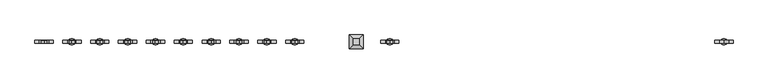
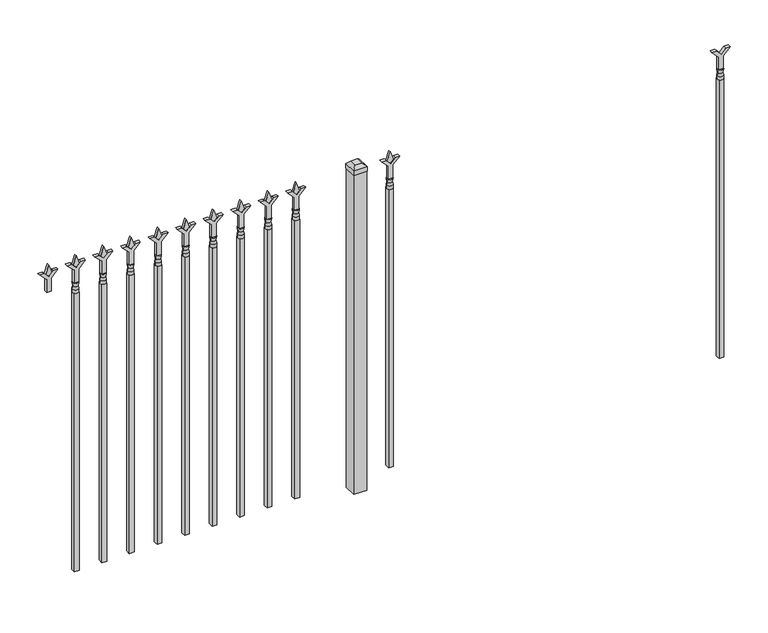
"""IFC4 building model written with IfcOpenShell, lengths in millimetres: railing geometry."""

from ifc_helpers import new_model, si_unit, frame, origin, origin_with_axes, place, context, project, spatial, polyline, circle_curve, outline, extrude, faceted_brep, source, transform, mapped, element, save
from ifc_brep_helpers import plane_surface, cylinder_surface, revolved_surface, advanced_brep


def railing_d602b9d8(model_context):
    return source(origin(), model_context, "Body", "SolidModel", [
        extrude(outline(polyline([(1260.475, -70510.749337), (1314.7457378, -70510.749337), (1341.9355122, -70483.5595625), (1341.9355122, -70501.5200747), (1323.975, -70519.480587), (1341.9355122, -70537.4410992), (1341.9355122, -70555.4016114), (1314.7457378, -70528.211837), (1260.475, -70528.211837), (1260.475, -70510.749337)])), frame((0.0, -9176.0070174, 0.0), z_axis=(0.0, 1.0, 0.0), x_axis=(0.0, 0.0, 1.0)), (0.0, 0.0, 1.0), 12.7),
        advanced_brep(
        [(-70507.574337, -9169.6570174, 1231.9), (-70531.386837, -9169.6570174, 1231.9), (-70531.386837, -9169.6570174, 1219.2), (-70507.574337, -9169.6570174, 1219.2), (-70509.7796688, -9169.6570174, 1244.4070585), (-70529.1815051, -9169.6570174, 1244.4070585), (-70507.574337, -9169.6570174, 1260.475), (-70531.386837, -9169.6570174, 1260.475), (-70519.480587, -9169.6570174, 1260.475), (-70519.480587, -9169.6570174, 1219.2)],
        [
            (0, 1, circle_curve(frame((-70519.480587, -9169.6570174, 1231.9), z_axis=(0.0, 0.0, -1.0), x_axis=(-1.0, 0.0, 0.0)), 11.90625)),
            (1, 2),
            (2, 3, circle_curve(frame((-70519.480587, -9169.6570174, 1219.2), z_axis=(0.0, 0.0, 1.0), x_axis=(-1.0, 0.0, 0.0)), 11.90625)),
            (3, 0),
            (1, 0, circle_curve(frame((-70519.480587, -9169.6570174, 1231.9), z_axis=(0.0, 0.0, -1.0), x_axis=(-1.0, 0.0, 0.0)), 11.90625)),
            (3, 2, circle_curve(frame((-70519.480587, -9169.6570174, 1219.2), z_axis=(0.0, 0.0, 1.0), x_axis=(-1.0, 0.0, 0.0)), 11.90625)),
            (4, 5, circle_curve(frame((-70519.480587, -9169.6570174, 1244.4070585), z_axis=(0.0, 0.0, -1.0), x_axis=(-1.0, 0.0, 0.0)), 9.7009181)),
            (5, 1),
            (0, 4),
            (5, 4, circle_curve(frame((-70519.480587, -9169.6570174, 1244.4070585), z_axis=(0.0, 0.0, -1.0), x_axis=(-1.0, 0.0, 0.0)), 9.7009181)),
            (6, 7, circle_curve(frame((-70519.480587, -9169.6570174, 1260.475), z_axis=(0.0, 0.0, -1.0), x_axis=(-1.0, 0.0, 0.0)), 11.90625)),
            (7, 5),
            (4, 6),
            (7, 6, circle_curve(frame((-70519.480587, -9169.6570174, 1260.475), z_axis=(0.0, 0.0, -1.0), x_axis=(-1.0, 0.0, 0.0)), 11.90625)),
            (8, 7),
            (6, 8),
            (2, 9),
            (9, 3),
        ],
        [
            cylinder_surface(frame((-70519.480587, -9169.6570174, 1219.2), z_axis=(0.0, 0.0, 1.0), x_axis=(-1.0, 0.0, 0.0)), 11.90625),
            revolved_surface(polyline([(-70531.386837, -9169.6570174, 1231.9), (-70529.1815051, -9169.6570174, 1244.4070585)]), (-70519.480587, -9169.6570174, 1219.2), (0.0, 0.0, 1.0)),
            revolved_surface(polyline([(-70529.1815051, -9169.6570174, 1244.4070585), (-70531.386837, -9169.6570174, 1260.475)]), (-70519.480587, -9169.6570174, 1219.2), (0.0, 0.0, 1.0)),
            plane_surface(frame((-70519.480587, -9169.6570174, 1260.475), z_axis=(0.0, 0.0, 1.0), x_axis=(-1.0, 0.0, 0.0))),
            plane_surface(frame((-70519.480587, -9169.6570174, 1219.2), z_axis=(0.0, 0.0, -1.0), x_axis=(-1.0, 0.0, 0.0))),
        ],
        [
            (0, [[1, 2, 3, 4]]),
            (0, [[5, -4, 6, -2]]),
            (1, [[7, 8, -1, 9]]),
            (1, [[10, -9, -5, -8]]),
            (2, [[11, 12, -7, 13]]),
            (2, [[14, -13, -10, -12]]),
            (3, [[15, -11, 16]]),
            (3, [[-16, -14, -15]]),
            (4, [[-3, 17, 18]]),
            (4, [[-6, -18, -17]]),
        ],
    ),
        extrude(outline(polyline([(-70529.005587, -9160.1320174), (-70509.955587, -9160.1320174), (-70509.955587, -9179.1820174), (-70529.005587, -9179.1820174), (-70529.005587, -9160.1320174)])), frame((0.0, 0.0, 50.8), z_axis=(0.0, 0.0, 1.0), x_axis=(1.0, 0.0, 0.0)), (0.0, 0.0, 1.0), 1168.4),
        extrude(outline(polyline([(1335.88125, -71818.849337), (1371.6, -71830.755587), (1335.88125, -71842.661837), (1323.975, -71830.755587), (1335.88125, -71818.849337)])), frame((0.0, -9174.4195174, 0.0), z_axis=(0.0, 1.0, 0.0), x_axis=(0.0, 0.0, 1.0)), (0.0, 0.0, 1.0), 9.525),
        extrude(outline(polyline([(1260.475, -71822.024337), (1314.7457378, -71822.024337), (1341.9355122, -71794.8345625), (1341.9355122, -71812.7950747), (1323.975, -71830.755587), (1341.9355122, -71848.7160992), (1341.9355122, -71866.6766114), (1314.7457378, -71839.486837), (1260.475, -71839.486837), (1260.475, -71822.024337)])), frame((0.0, -9176.0070174, 0.0), z_axis=(0.0, 1.0, 0.0), x_axis=(0.0, 0.0, 1.0)), (0.0, 0.0, 1.0), 12.7),
        advanced_brep(
        [(-71818.849337, -9169.6570174, 1231.9), (-71842.661837, -9169.6570174, 1231.9), (-71842.661837, -9169.6570174, 1219.2), (-71818.849337, -9169.6570174, 1219.2), (-71821.0546688, -9169.6570174, 1244.4070585), (-71840.4565051, -9169.6570174, 1244.4070585), (-71818.849337, -9169.6570174, 1260.475), (-71842.661837, -9169.6570174, 1260.475), (-71830.755587, -9169.6570174, 1260.475), (-71830.755587, -9169.6570174, 1219.2)],
        [
            (0, 1, circle_curve(frame((-71830.755587, -9169.6570174, 1231.9), z_axis=(0.0, 0.0, -1.0), x_axis=(-1.0, 0.0, 0.0)), 11.90625)),
            (1, 2),
            (2, 3, circle_curve(frame((-71830.755587, -9169.6570174, 1219.2), z_axis=(0.0, 0.0, 1.0), x_axis=(-1.0, 0.0, 0.0)), 11.90625)),
            (3, 0),
            (1, 0, circle_curve(frame((-71830.755587, -9169.6570174, 1231.9), z_axis=(0.0, 0.0, -1.0), x_axis=(-1.0, 0.0, 0.0)), 11.90625)),
            (3, 2, circle_curve(frame((-71830.755587, -9169.6570174, 1219.2), z_axis=(0.0, 0.0, 1.0), x_axis=(-1.0, 0.0, 0.0)), 11.90625)),
            (4, 5, circle_curve(frame((-71830.755587, -9169.6570174, 1244.4070585), z_axis=(0.0, 0.0, -1.0), x_axis=(-1.0, 0.0, 0.0)), 9.7009181)),
            (5, 1),
            (0, 4),
            (5, 4, circle_curve(frame((-71830.755587, -9169.6570174, 1244.4070585), z_axis=(0.0, 0.0, -1.0), x_axis=(-1.0, 0.0, 0.0)), 9.7009181)),
            (6, 7, circle_curve(frame((-71830.755587, -9169.6570174, 1260.475), z_axis=(0.0, 0.0, -1.0), x_axis=(-1.0, 0.0, 0.0)), 11.90625)),
            (7, 5),
            (4, 6),
            (7, 6, circle_curve(frame((-71830.755587, -9169.6570174, 1260.475), z_axis=(0.0, 0.0, -1.0), x_axis=(-1.0, 0.0, 0.0)), 11.90625)),
            (8, 7),
            (6, 8),
            (2, 9),
            (9, 3),
        ],
        [
            cylinder_surface(frame((-71830.755587, -9169.6570174, 1219.2), z_axis=(0.0, 0.0, 1.0), x_axis=(-1.0, 0.0, 0.0)), 11.90625),
            revolved_surface(polyline([(-71842.661837, -9169.6570174, 1231.9), (-71840.4565051, -9169.6570174, 1244.4070585)]), (-71830.755587, -9169.6570174, 1219.2), (0.0, 0.0, 1.0)),
            revolved_surface(polyline([(-71840.4565051, -9169.6570174, 1244.4070585), (-71842.661837, -9169.6570174, 1260.475)]), (-71830.755587, -9169.6570174, 1219.2), (0.0, 0.0, 1.0)),
            plane_surface(frame((-71830.755587, -9169.6570174, 1260.475), z_axis=(0.0, 0.0, 1.0), x_axis=(-1.0, 0.0, 0.0))),
            plane_surface(frame((-71830.755587, -9169.6570174, 1219.2), z_axis=(0.0, 0.0, -1.0), x_axis=(-1.0, 0.0, 0.0))),
        ],
        [
            (0, [[1, 2, 3, 4]]),
            (0, [[5, -4, 6, -2]]),
            (1, [[7, 8, -1, 9]]),
            (1, [[10, -9, -5, -8]]),
            (2, [[11, 12, -7, 13]]),
            (2, [[14, -13, -10, -12]]),
            (3, [[15, -11, 16]]),
            (3, [[-16, -14, -15]]),
            (4, [[-3, 17, 18]]),
            (4, [[-6, -18, -17]]),
        ],
    ),
        extrude(outline(polyline([(-71840.280587, -9160.1320174), (-71821.230587, -9160.1320174), (-71821.230587, -9179.1820174), (-71840.280587, -9179.1820174), (-71840.280587, -9160.1320174)])), frame((0.0, 0.0, 50.8), z_axis=(0.0, 0.0, 1.0), x_axis=(1.0, 0.0, 0.0)), (0.0, 0.0, 1.0), 1168.4),
        extrude(outline(polyline([(-71937.118087, -9144.2570174), (-71937.118087, -9195.0570174), (-71987.918087, -9195.0570174), (-71987.918087, -9144.2570174), (-71937.118087, -9144.2570174)])), origin_with_axes(), (0.0, 0.0, 1.0), 1339.85),
        faceted_brep([(-71989.505587, -9142.6695174, 1358.9), (-71989.505587, -9142.6695174, 1339.85), (-71989.505587, -9196.6445174, 1339.85), (-71989.505587, -9196.6445174, 1358.9), (-71976.805587, -9155.3695174, 1371.6), (-71976.805587, -9183.9445174, 1371.6), (-71935.530587, -9196.6445174, 1339.85), (-71935.530587, -9196.6445174, 1358.9), (-71948.230587, -9183.9445174, 1371.6), (-71935.530587, -9142.6695174, 1339.85), (-71935.530587, -9142.6695174, 1358.9), (-71948.230587, -9155.3695174, 1371.6)], [[[0, 1, 2, 3]], [[4, 0, 3, 5]], [[3, 2, 6, 7]], [[5, 3, 7, 8]], [[7, 6, 9, 10]], [[8, 7, 10, 11]], [[10, 9, 1, 0]], [[11, 10, 0, 4]], [[5, 8, 11, 4]], [[1, 9, 6, 2]]]),
        extrude(outline(polyline([(1335.88125, -72191.6472536), (1371.6, -72203.5535036), (1335.88125, -72215.4597536), (1323.975, -72203.5535036), (1335.88125, -72191.6472536)])), frame((0.0, -9174.4195174, 0.0), z_axis=(0.0, 1.0, 0.0), x_axis=(0.0, 0.0, 1.0)), (0.0, 0.0, 1.0), 9.525),
        extrude(outline(polyline([(1260.475, -72194.8222536), (1314.7457378, -72194.8222536), (1341.9355122, -72167.6324791), (1341.9355122, -72185.5929914), (1323.975, -72203.5535036), (1341.9355122, -72221.5140159), (1341.9355122, -72239.4745281), (1314.7457378, -72212.2847536), (1260.475, -72212.2847536), (1260.475, -72194.8222536)])), frame((0.0, -9176.0070174, 0.0), z_axis=(0.0, 1.0, 0.0), x_axis=(0.0, 0.0, 1.0)), (0.0, 0.0, 1.0), 12.7),
        advanced_brep(
        [(-72191.6472536, -9169.6570174, 1231.9), (-72215.4597536, -9169.6570174, 1231.9), (-72215.4597536, -9169.6570174, 1219.2), (-72191.6472536, -9169.6570174, 1219.2), (-72193.8525855, -9169.6570174, 1244.4070585), (-72213.2544218, -9169.6570174, 1244.4070585), (-72191.6472536, -9169.6570174, 1260.475), (-72215.4597536, -9169.6570174, 1260.475), (-72203.5535036, -9169.6570174, 1260.475), (-72203.5535036, -9169.6570174, 1219.2)],
        [
            (0, 1, circle_curve(frame((-72203.5535036, -9169.6570174, 1231.9), z_axis=(0.0, 0.0, -1.0), x_axis=(-1.0, 0.0, 0.0)), 11.90625)),
            (1, 2),
            (2, 3, circle_curve(frame((-72203.5535036, -9169.6570174, 1219.2), z_axis=(0.0, 0.0, 1.0), x_axis=(-1.0, 0.0, 0.0)), 11.90625)),
            (3, 0),
            (1, 0, circle_curve(frame((-72203.5535036, -9169.6570174, 1231.9), z_axis=(0.0, 0.0, -1.0), x_axis=(-1.0, 0.0, 0.0)), 11.90625)),
            (3, 2, circle_curve(frame((-72203.5535036, -9169.6570174, 1219.2), z_axis=(0.0, 0.0, 1.0), x_axis=(-1.0, 0.0, 0.0)), 11.90625)),
            (4, 5, circle_curve(frame((-72203.5535036, -9169.6570174, 1244.4070585), z_axis=(0.0, 0.0, -1.0), x_axis=(-1.0, 0.0, 0.0)), 9.7009181)),
            (5, 1),
            (0, 4),
            (5, 4, circle_curve(frame((-72203.5535036, -9169.6570174, 1244.4070585), z_axis=(0.0, 0.0, -1.0), x_axis=(-1.0, 0.0, 0.0)), 9.7009181)),
            (6, 7, circle_curve(frame((-72203.5535036, -9169.6570174, 1260.475), z_axis=(0.0, 0.0, -1.0), x_axis=(-1.0, 0.0, 0.0)), 11.90625)),
            (7, 5),
            (4, 6),
            (7, 6, circle_curve(frame((-72203.5535036, -9169.6570174, 1260.475), z_axis=(0.0, 0.0, -1.0), x_axis=(-1.0, 0.0, 0.0)), 11.90625)),
            (8, 7),
            (6, 8),
            (2, 9),
            (9, 3),
        ],
        [
            cylinder_surface(frame((-72203.5535036, -9169.6570174, 1219.2), z_axis=(0.0, 0.0, 1.0), x_axis=(-1.0, 0.0, 0.0)), 11.90625),
            revolved_surface(polyline([(-72215.4597536, -9169.6570174, 1231.9), (-72213.2544218, -9169.6570174, 1244.4070585)]), (-72203.5535036, -9169.6570174, 1219.2), (0.0, 0.0, 1.0)),
            revolved_surface(polyline([(-72213.2544218, -9169.6570174, 1244.4070585), (-72215.4597536, -9169.6570174, 1260.475)]), (-72203.5535036, -9169.6570174, 1219.2), (0.0, 0.0, 1.0)),
            plane_surface(frame((-72203.5535036, -9169.6570174, 1260.475), z_axis=(0.0, 0.0, 1.0), x_axis=(-1.0, 0.0, 0.0))),
            plane_surface(frame((-72203.5535036, -9169.6570174, 1219.2), z_axis=(0.0, 0.0, -1.0), x_axis=(-1.0, 0.0, 0.0))),
        ],
        [
            (0, [[1, 2, 3, 4]]),
            (0, [[5, -4, 6, -2]]),
            (1, [[7, 8, -1, 9]]),
            (1, [[10, -9, -5, -8]]),
            (2, [[11, 12, -7, 13]]),
            (2, [[14, -13, -10, -12]]),
            (3, [[15, -11, 16]]),
            (3, [[-16, -14, -15]]),
            (4, [[-3, 17, 18]]),
            (4, [[-6, -18, -17]]),
        ],
    ),
        extrude(outline(polyline([(-72213.0785036, -9160.1320174), (-72194.0285036, -9160.1320174), (-72194.0285036, -9179.1820174), (-72213.0785036, -9179.1820174), (-72213.0785036, -9160.1320174)])), frame((0.0, 0.0, 50.8), z_axis=(0.0, 0.0, 1.0), x_axis=(1.0, 0.0, 0.0)), (0.0, 0.0, 1.0), 1168.4),
        extrude(outline(polyline([(1335.88125, -72300.9201703), (1371.6, -72312.8264203), (1335.88125, -72324.7326703), (1323.975, -72312.8264203), (1335.88125, -72300.9201703)])), frame((0.0, -9174.4195174, 0.0), z_axis=(0.0, 1.0, 0.0), x_axis=(0.0, 0.0, 1.0)), (0.0, 0.0, 1.0), 9.525),
        extrude(outline(polyline([(1260.475, -72304.0951703), (1314.7457378, -72304.0951703), (1341.9355122, -72276.9053958), (1341.9355122, -72294.8659081), (1323.975, -72312.8264203), (1341.9355122, -72330.7869325), (1341.9355122, -72348.7474448), (1314.7457378, -72321.5576703), (1260.475, -72321.5576703), (1260.475, -72304.0951703)])), frame((0.0, -9176.0070174, 0.0), z_axis=(0.0, 1.0, 0.0), x_axis=(0.0, 0.0, 1.0)), (0.0, 0.0, 1.0), 12.7),
        advanced_brep(
        [(-72300.9201703, -9169.6570174, 1231.9), (-72324.7326703, -9169.6570174, 1231.9), (-72324.7326703, -9169.6570174, 1219.2), (-72300.9201703, -9169.6570174, 1219.2), (-72303.1255022, -9169.6570174, 1244.4070585), (-72322.5273384, -9169.6570174, 1244.4070585), (-72300.9201703, -9169.6570174, 1260.475), (-72324.7326703, -9169.6570174, 1260.475), (-72312.8264203, -9169.6570174, 1260.475), (-72312.8264203, -9169.6570174, 1219.2)],
        [
            (0, 1, circle_curve(frame((-72312.8264203, -9169.6570174, 1231.9), z_axis=(0.0, 0.0, -1.0), x_axis=(-1.0, 0.0, 0.0)), 11.90625)),
            (1, 2),
            (2, 3, circle_curve(frame((-72312.8264203, -9169.6570174, 1219.2), z_axis=(0.0, 0.0, 1.0), x_axis=(-1.0, 0.0, 0.0)), 11.90625)),
            (3, 0),
            (1, 0, circle_curve(frame((-72312.8264203, -9169.6570174, 1231.9), z_axis=(0.0, 0.0, -1.0), x_axis=(-1.0, 0.0, 0.0)), 11.90625)),
            (3, 2, circle_curve(frame((-72312.8264203, -9169.6570174, 1219.2), z_axis=(0.0, 0.0, 1.0), x_axis=(-1.0, 0.0, 0.0)), 11.90625)),
            (4, 5, circle_curve(frame((-72312.8264203, -9169.6570174, 1244.4070585), z_axis=(0.0, 0.0, -1.0), x_axis=(-1.0, 0.0, 0.0)), 9.7009181)),
            (5, 1),
            (0, 4),
            (5, 4, circle_curve(frame((-72312.8264203, -9169.6570174, 1244.4070585), z_axis=(0.0, 0.0, -1.0), x_axis=(-1.0, 0.0, 0.0)), 9.7009181)),
            (6, 7, circle_curve(frame((-72312.8264203, -9169.6570174, 1260.475), z_axis=(0.0, 0.0, -1.0), x_axis=(-1.0, 0.0, 0.0)), 11.90625)),
            (7, 5),
            (4, 6),
            (7, 6, circle_curve(frame((-72312.8264203, -9169.6570174, 1260.475), z_axis=(0.0, 0.0, -1.0), x_axis=(-1.0, 0.0, 0.0)), 11.90625)),
            (8, 7),
            (6, 8),
            (2, 9),
            (9, 3),
        ],
        [
            cylinder_surface(frame((-72312.8264203, -9169.6570174, 1219.2), z_axis=(0.0, 0.0, 1.0), x_axis=(-1.0, 0.0, 0.0)), 11.90625),
            revolved_surface(polyline([(-72324.7326703, -9169.6570174, 1231.9), (-72322.5273384, -9169.6570174, 1244.4070585)]), (-72312.8264203, -9169.6570174, 1219.2), (0.0, 0.0, 1.0)),
            revolved_surface(polyline([(-72322.5273384, -9169.6570174, 1244.4070585), (-72324.7326703, -9169.6570174, 1260.475)]), (-72312.8264203, -9169.6570174, 1219.2), (0.0, 0.0, 1.0)),
            plane_surface(frame((-72312.8264203, -9169.6570174, 1260.475), z_axis=(0.0, 0.0, 1.0), x_axis=(-1.0, 0.0, 0.0))),
            plane_surface(frame((-72312.8264203, -9169.6570174, 1219.2), z_axis=(0.0, 0.0, -1.0), x_axis=(-1.0, 0.0, 0.0))),
        ],
        [
            (0, [[1, 2, 3, 4]]),
            (0, [[5, -4, 6, -2]]),
            (1, [[7, 8, -1, 9]]),
            (1, [[10, -9, -5, -8]]),
            (2, [[11, 12, -7, 13]]),
            (2, [[14, -13, -10, -12]]),
            (3, [[15, -11, 16]]),
            (3, [[-16, -14, -15]]),
            (4, [[-3, 17, 18]]),
            (4, [[-6, -18, -17]]),
        ],
    ),
        extrude(outline(polyline([(-72322.3514203, -9160.1320174), (-72303.3014203, -9160.1320174), (-72303.3014203, -9179.1820174), (-72322.3514203, -9179.1820174), (-72322.3514203, -9160.1320174)])), frame((0.0, 0.0, 50.8), z_axis=(0.0, 0.0, 1.0), x_axis=(1.0, 0.0, 0.0)), (0.0, 0.0, 1.0), 1168.4),
        extrude(outline(polyline([(1335.88125, -72410.193087), (1371.6, -72422.099337), (1335.88125, -72434.005587), (1323.975, -72422.099337), (1335.88125, -72410.193087)])), frame((0.0, -9174.4195174, 0.0), z_axis=(0.0, 1.0, 0.0), x_axis=(0.0, 0.0, 1.0)), (0.0, 0.0, 1.0), 9.525),
        extrude(outline(polyline([(1260.475, -72413.368087), (1314.7457378, -72413.368087), (1341.9355122, -72386.1783125), (1341.9355122, -72404.1388247), (1323.975, -72422.099337), (1341.9355122, -72440.0598492), (1341.9355122, -72458.0203614), (1314.7457378, -72430.830587), (1260.475, -72430.830587), (1260.475, -72413.368087)])), frame((0.0, -9176.0070174, 0.0), z_axis=(0.0, 1.0, 0.0), x_axis=(0.0, 0.0, 1.0)), (0.0, 0.0, 1.0), 12.7),
        advanced_brep(
        [(-72410.193087, -9169.6570174, 1231.9), (-72434.005587, -9169.6570174, 1231.9), (-72434.005587, -9169.6570174, 1219.2), (-72410.193087, -9169.6570174, 1219.2), (-72412.3984188, -9169.6570174, 1244.4070585), (-72431.8002551, -9169.6570174, 1244.4070585), (-72410.193087, -9169.6570174, 1260.475), (-72434.005587, -9169.6570174, 1260.475), (-72422.099337, -9169.6570174, 1260.475), (-72422.099337, -9169.6570174, 1219.2)],
        [
            (0, 1, circle_curve(frame((-72422.099337, -9169.6570174, 1231.9), z_axis=(0.0, 0.0, -1.0), x_axis=(-1.0, 0.0, 0.0)), 11.90625)),
            (1, 2),
            (2, 3, circle_curve(frame((-72422.099337, -9169.6570174, 1219.2), z_axis=(0.0, 0.0, 1.0), x_axis=(-1.0, 0.0, 0.0)), 11.90625)),
            (3, 0),
            (1, 0, circle_curve(frame((-72422.099337, -9169.6570174, 1231.9), z_axis=(0.0, 0.0, -1.0), x_axis=(-1.0, 0.0, 0.0)), 11.90625)),
            (3, 2, circle_curve(frame((-72422.099337, -9169.6570174, 1219.2), z_axis=(0.0, 0.0, 1.0), x_axis=(-1.0, 0.0, 0.0)), 11.90625)),
            (4, 5, circle_curve(frame((-72422.099337, -9169.6570174, 1244.4070585), z_axis=(0.0, 0.0, -1.0), x_axis=(-1.0, 0.0, 0.0)), 9.7009181)),
            (5, 1),
            (0, 4),
            (5, 4, circle_curve(frame((-72422.099337, -9169.6570174, 1244.4070585), z_axis=(0.0, 0.0, -1.0), x_axis=(-1.0, 0.0, 0.0)), 9.7009181)),
            (6, 7, circle_curve(frame((-72422.099337, -9169.6570174, 1260.475), z_axis=(0.0, 0.0, -1.0), x_axis=(-1.0, 0.0, 0.0)), 11.90625)),
            (7, 5),
            (4, 6),
            (7, 6, circle_curve(frame((-72422.099337, -9169.6570174, 1260.475), z_axis=(0.0, 0.0, -1.0), x_axis=(-1.0, 0.0, 0.0)), 11.90625)),
            (8, 7),
            (6, 8),
            (2, 9),
            (9, 3),
        ],
        [
            cylinder_surface(frame((-72422.099337, -9169.6570174, 1219.2), z_axis=(0.0, 0.0, 1.0), x_axis=(-1.0, 0.0, 0.0)), 11.90625),
            revolved_surface(polyline([(-72434.005587, -9169.6570174, 1231.9), (-72431.8002551, -9169.6570174, 1244.4070585)]), (-72422.099337, -9169.6570174, 1219.2), (0.0, 0.0, 1.0)),
            revolved_surface(polyline([(-72431.8002551, -9169.6570174, 1244.4070585), (-72434.005587, -9169.6570174, 1260.475)]), (-72422.099337, -9169.6570174, 1219.2), (0.0, 0.0, 1.0)),
            plane_surface(frame((-72422.099337, -9169.6570174, 1260.475), z_axis=(0.0, 0.0, 1.0), x_axis=(-1.0, 0.0, 0.0))),
            plane_surface(frame((-72422.099337, -9169.6570174, 1219.2), z_axis=(0.0, 0.0, -1.0), x_axis=(-1.0, 0.0, 0.0))),
        ],
        [
            (0, [[1, 2, 3, 4]]),
            (0, [[5, -4, 6, -2]]),
            (1, [[7, 8, -1, 9]]),
            (1, [[10, -9, -5, -8]]),
            (2, [[11, 12, -7, 13]]),
            (2, [[14, -13, -10, -12]]),
            (3, [[15, -11, 16]]),
            (3, [[-16, -14, -15]]),
            (4, [[-3, 17, 18]]),
            (4, [[-6, -18, -17]]),
        ],
    ),
        extrude(outline(polyline([(-72431.624337, -9160.1320174), (-72412.574337, -9160.1320174), (-72412.574337, -9179.1820174), (-72431.624337, -9179.1820174), (-72431.624337, -9160.1320174)])), frame((0.0, 0.0, 50.8), z_axis=(0.0, 0.0, 1.0), x_axis=(1.0, 0.0, 0.0)), (0.0, 0.0, 1.0), 1168.4),
        extrude(outline(polyline([(1335.88125, -72519.4660036), (1371.6, -72531.3722536), (1335.88125, -72543.2785036), (1323.975, -72531.3722536), (1335.88125, -72519.4660036)])), frame((0.0, -9174.4195174, 0.0), z_axis=(0.0, 1.0, 0.0), x_axis=(0.0, 0.0, 1.0)), (0.0, 0.0, 1.0), 9.525),
        extrude(outline(polyline([(1260.475, -72522.6410036), (1314.7457378, -72522.6410036), (1341.9355122, -72495.4512291), (1341.9355122, -72513.4117414), (1323.975, -72531.3722536), (1341.9355122, -72549.3327659), (1341.9355122, -72567.2932781), (1314.7457378, -72540.1035036), (1260.475, -72540.1035036), (1260.475, -72522.6410036)])), frame((0.0, -9176.0070174, 0.0), z_axis=(0.0, 1.0, 0.0), x_axis=(0.0, 0.0, 1.0)), (0.0, 0.0, 1.0), 12.7),
        advanced_brep(
        [(-72519.4660036, -9169.6570174, 1231.9), (-72543.2785036, -9169.6570174, 1231.9), (-72543.2785036, -9169.6570174, 1219.2), (-72519.4660036, -9169.6570174, 1219.2), (-72521.6713355, -9169.6570174, 1244.4070585), (-72541.0731718, -9169.6570174, 1244.4070585), (-72519.4660036, -9169.6570174, 1260.475), (-72543.2785036, -9169.6570174, 1260.475), (-72531.3722536, -9169.6570174, 1260.475), (-72531.3722536, -9169.6570174, 1219.2)],
        [
            (0, 1, circle_curve(frame((-72531.3722536, -9169.6570174, 1231.9), z_axis=(0.0, 0.0, -1.0), x_axis=(-1.0, 0.0, 0.0)), 11.90625)),
            (1, 2),
            (2, 3, circle_curve(frame((-72531.3722536, -9169.6570174, 1219.2), z_axis=(0.0, 0.0, 1.0), x_axis=(-1.0, 0.0, 0.0)), 11.90625)),
            (3, 0),
            (1, 0, circle_curve(frame((-72531.3722536, -9169.6570174, 1231.9), z_axis=(0.0, 0.0, -1.0), x_axis=(-1.0, 0.0, 0.0)), 11.90625)),
            (3, 2, circle_curve(frame((-72531.3722536, -9169.6570174, 1219.2), z_axis=(0.0, 0.0, 1.0), x_axis=(-1.0, 0.0, 0.0)), 11.90625)),
            (4, 5, circle_curve(frame((-72531.3722536, -9169.6570174, 1244.4070585), z_axis=(0.0, 0.0, -1.0), x_axis=(-1.0, 0.0, 0.0)), 9.7009181)),
            (5, 1),
            (0, 4),
            (5, 4, circle_curve(frame((-72531.3722536, -9169.6570174, 1244.4070585), z_axis=(0.0, 0.0, -1.0), x_axis=(-1.0, 0.0, 0.0)), 9.7009181)),
            (6, 7, circle_curve(frame((-72531.3722536, -9169.6570174, 1260.475), z_axis=(0.0, 0.0, -1.0), x_axis=(-1.0, 0.0, 0.0)), 11.90625)),
            (7, 5),
            (4, 6),
            (7, 6, circle_curve(frame((-72531.3722536, -9169.6570174, 1260.475), z_axis=(0.0, 0.0, -1.0), x_axis=(-1.0, 0.0, 0.0)), 11.90625)),
            (8, 7),
            (6, 8),
            (2, 9),
            (9, 3),
        ],
        [
            cylinder_surface(frame((-72531.3722536, -9169.6570174, 1219.2), z_axis=(0.0, 0.0, 1.0), x_axis=(-1.0, 0.0, 0.0)), 11.90625),
            revolved_surface(polyline([(-72543.2785036, -9169.6570174, 1231.9), (-72541.0731718, -9169.6570174, 1244.4070585)]), (-72531.3722536, -9169.6570174, 1219.2), (0.0, 0.0, 1.0)),
            revolved_surface(polyline([(-72541.0731718, -9169.6570174, 1244.4070585), (-72543.2785036, -9169.6570174, 1260.475)]), (-72531.3722536, -9169.6570174, 1219.2), (0.0, 0.0, 1.0)),
            plane_surface(frame((-72531.3722536, -9169.6570174, 1260.475), z_axis=(0.0, 0.0, 1.0), x_axis=(-1.0, 0.0, 0.0))),
            plane_surface(frame((-72531.3722536, -9169.6570174, 1219.2), z_axis=(0.0, 0.0, -1.0), x_axis=(-1.0, 0.0, 0.0))),
        ],
        [
            (0, [[1, 2, 3, 4]]),
            (0, [[5, -4, 6, -2]]),
            (1, [[7, 8, -1, 9]]),
            (1, [[10, -9, -5, -8]]),
            (2, [[11, 12, -7, 13]]),
            (2, [[14, -13, -10, -12]]),
            (3, [[15, -11, 16]]),
            (3, [[-16, -14, -15]]),
            (4, [[-3, 17, 18]]),
            (4, [[-6, -18, -17]]),
        ],
    ),
        extrude(outline(polyline([(-72540.8972536, -9160.1320174), (-72521.8472536, -9160.1320174), (-72521.8472536, -9179.1820174), (-72540.8972536, -9179.1820174), (-72540.8972536, -9160.1320174)])), frame((0.0, 0.0, 50.8), z_axis=(0.0, 0.0, 1.0), x_axis=(1.0, 0.0, 0.0)), (0.0, 0.0, 1.0), 1168.4),
        extrude(outline(polyline([(1335.88125, -72628.7389203), (1371.6, -72640.6451703), (1335.88125, -72652.5514203), (1323.975, -72640.6451703), (1335.88125, -72628.7389203)])), frame((0.0, -9174.4195174, 0.0), z_axis=(0.0, 1.0, 0.0), x_axis=(0.0, 0.0, 1.0)), (0.0, 0.0, 1.0), 9.525),
        extrude(outline(polyline([(1260.475, -72631.9139203), (1314.7457378, -72631.9139203), (1341.9355122, -72604.7241458), (1341.9355122, -72622.6846581), (1323.975, -72640.6451703), (1341.9355122, -72658.6056825), (1341.9355122, -72676.5661948), (1314.7457378, -72649.3764203), (1260.475, -72649.3764203), (1260.475, -72631.9139203)])), frame((0.0, -9176.0070174, 0.0), z_axis=(0.0, 1.0, 0.0), x_axis=(0.0, 0.0, 1.0)), (0.0, 0.0, 1.0), 12.7),
        advanced_brep(
        [(-72628.7389203, -9169.6570174, 1231.9), (-72652.5514203, -9169.6570174, 1231.9), (-72652.5514203, -9169.6570174, 1219.2), (-72628.7389203, -9169.6570174, 1219.2), (-72630.9442522, -9169.6570174, 1244.4070585), (-72650.3460884, -9169.6570174, 1244.4070585), (-72628.7389203, -9169.6570174, 1260.475), (-72652.5514203, -9169.6570174, 1260.475), (-72640.6451703, -9169.6570174, 1260.475), (-72640.6451703, -9169.6570174, 1219.2)],
        [
            (0, 1, circle_curve(frame((-72640.6451703, -9169.6570174, 1231.9), z_axis=(0.0, 0.0, -1.0), x_axis=(-1.0, 0.0, 0.0)), 11.90625)),
            (1, 2),
            (2, 3, circle_curve(frame((-72640.6451703, -9169.6570174, 1219.2), z_axis=(0.0, 0.0, 1.0), x_axis=(-1.0, 0.0, 0.0)), 11.90625)),
            (3, 0),
            (1, 0, circle_curve(frame((-72640.6451703, -9169.6570174, 1231.9), z_axis=(0.0, 0.0, -1.0), x_axis=(-1.0, 0.0, 0.0)), 11.90625)),
            (3, 2, circle_curve(frame((-72640.6451703, -9169.6570174, 1219.2), z_axis=(0.0, 0.0, 1.0), x_axis=(-1.0, 0.0, 0.0)), 11.90625)),
            (4, 5, circle_curve(frame((-72640.6451703, -9169.6570174, 1244.4070585), z_axis=(0.0, 0.0, -1.0), x_axis=(-1.0, 0.0, 0.0)), 9.7009181)),
            (5, 1),
            (0, 4),
            (5, 4, circle_curve(frame((-72640.6451703, -9169.6570174, 1244.4070585), z_axis=(0.0, 0.0, -1.0), x_axis=(-1.0, 0.0, 0.0)), 9.7009181)),
            (6, 7, circle_curve(frame((-72640.6451703, -9169.6570174, 1260.475), z_axis=(0.0, 0.0, -1.0), x_axis=(-1.0, 0.0, 0.0)), 11.90625)),
            (7, 5),
            (4, 6),
            (7, 6, circle_curve(frame((-72640.6451703, -9169.6570174, 1260.475), z_axis=(0.0, 0.0, -1.0), x_axis=(-1.0, 0.0, 0.0)), 11.90625)),
            (8, 7),
            (6, 8),
            (2, 9),
            (9, 3),
        ],
        [
            cylinder_surface(frame((-72640.6451703, -9169.6570174, 1219.2), z_axis=(0.0, 0.0, 1.0), x_axis=(-1.0, 0.0, 0.0)), 11.90625),
            revolved_surface(polyline([(-72652.5514203, -9169.6570174, 1231.9), (-72650.3460884, -9169.6570174, 1244.4070585)]), (-72640.6451703, -9169.6570174, 1219.2), (0.0, 0.0, 1.0)),
            revolved_surface(polyline([(-72650.3460884, -9169.6570174, 1244.4070585), (-72652.5514203, -9169.6570174, 1260.475)]), (-72640.6451703, -9169.6570174, 1219.2), (0.0, 0.0, 1.0)),
            plane_surface(frame((-72640.6451703, -9169.6570174, 1260.475), z_axis=(0.0, 0.0, 1.0), x_axis=(-1.0, 0.0, 0.0))),
            plane_surface(frame((-72640.6451703, -9169.6570174, 1219.2), z_axis=(0.0, 0.0, -1.0), x_axis=(-1.0, 0.0, 0.0))),
        ],
        [
            (0, [[1, 2, 3, 4]]),
            (0, [[5, -4, 6, -2]]),
            (1, [[7, 8, -1, 9]]),
            (1, [[10, -9, -5, -8]]),
            (2, [[11, 12, -7, 13]]),
            (2, [[14, -13, -10, -12]]),
            (3, [[15, -11, 16]]),
            (3, [[-16, -14, -15]]),
            (4, [[-3, 17, 18]]),
            (4, [[-6, -18, -17]]),
        ],
    ),
        extrude(outline(polyline([(-72650.1701703, -9160.1320174), (-72631.1201703, -9160.1320174), (-72631.1201703, -9179.1820174), (-72650.1701703, -9179.1820174), (-72650.1701703, -9160.1320174)])), frame((0.0, 0.0, 50.8), z_axis=(0.0, 0.0, 1.0), x_axis=(1.0, 0.0, 0.0)), (0.0, 0.0, 1.0), 1168.4),
        extrude(outline(polyline([(1335.88125, -72738.011837), (1371.6, -72749.918087), (1335.88125, -72761.824337), (1323.975, -72749.918087), (1335.88125, -72738.011837)])), frame((0.0, -9174.4195174, 0.0), z_axis=(0.0, 1.0, 0.0), x_axis=(0.0, 0.0, 1.0)), (0.0, 0.0, 1.0), 9.525),
        extrude(outline(polyline([(1260.475, -72741.186837), (1314.7457378, -72741.186837), (1341.9355122, -72713.9970625), (1341.9355122, -72731.9575747), (1323.975, -72749.918087), (1341.9355122, -72767.8785992), (1341.9355122, -72785.8391114), (1314.7457378, -72758.649337), (1260.475, -72758.649337), (1260.475, -72741.186837)])), frame((0.0, -9176.0070174, 0.0), z_axis=(0.0, 1.0, 0.0), x_axis=(0.0, 0.0, 1.0)), (0.0, 0.0, 1.0), 12.7),
        advanced_brep(
        [(-72738.011837, -9169.6570174, 1231.9), (-72761.824337, -9169.6570174, 1231.9), (-72761.824337, -9169.6570174, 1219.2), (-72738.011837, -9169.6570174, 1219.2), (-72740.2171688, -9169.6570174, 1244.4070585), (-72759.6190051, -9169.6570174, 1244.4070585), (-72738.011837, -9169.6570174, 1260.475), (-72761.824337, -9169.6570174, 1260.475), (-72749.918087, -9169.6570174, 1260.475), (-72749.918087, -9169.6570174, 1219.2)],
        [
            (0, 1, circle_curve(frame((-72749.918087, -9169.6570174, 1231.9), z_axis=(0.0, 0.0, -1.0), x_axis=(-1.0, 0.0, 0.0)), 11.90625)),
            (1, 2),
            (2, 3, circle_curve(frame((-72749.918087, -9169.6570174, 1219.2), z_axis=(0.0, 0.0, 1.0), x_axis=(-1.0, 0.0, 0.0)), 11.90625)),
            (3, 0),
            (1, 0, circle_curve(frame((-72749.918087, -9169.6570174, 1231.9), z_axis=(0.0, 0.0, -1.0), x_axis=(-1.0, 0.0, 0.0)), 11.90625)),
            (3, 2, circle_curve(frame((-72749.918087, -9169.6570174, 1219.2), z_axis=(0.0, 0.0, 1.0), x_axis=(-1.0, 0.0, 0.0)), 11.90625)),
            (4, 5, circle_curve(frame((-72749.918087, -9169.6570174, 1244.4070585), z_axis=(0.0, 0.0, -1.0), x_axis=(-1.0, 0.0, 0.0)), 9.7009181)),
            (5, 1),
            (0, 4),
            (5, 4, circle_curve(frame((-72749.918087, -9169.6570174, 1244.4070585), z_axis=(0.0, 0.0, -1.0), x_axis=(-1.0, 0.0, 0.0)), 9.7009181)),
            (6, 7, circle_curve(frame((-72749.918087, -9169.6570174, 1260.475), z_axis=(0.0, 0.0, -1.0), x_axis=(-1.0, 0.0, 0.0)), 11.90625)),
            (7, 5),
            (4, 6),
            (7, 6, circle_curve(frame((-72749.918087, -9169.6570174, 1260.475), z_axis=(0.0, 0.0, -1.0), x_axis=(-1.0, 0.0, 0.0)), 11.90625)),
            (8, 7),
            (6, 8),
            (2, 9),
            (9, 3),
        ],
        [
            cylinder_surface(frame((-72749.918087, -9169.6570174, 1219.2), z_axis=(0.0, 0.0, 1.0), x_axis=(-1.0, 0.0, 0.0)), 11.90625),
            revolved_surface(polyline([(-72761.824337, -9169.6570174, 1231.9), (-72759.6190051, -9169.6570174, 1244.4070585)]), (-72749.918087, -9169.6570174, 1219.2), (0.0, 0.0, 1.0)),
            revolved_surface(polyline([(-72759.6190051, -9169.6570174, 1244.4070585), (-72761.824337, -9169.6570174, 1260.475)]), (-72749.918087, -9169.6570174, 1219.2), (0.0, 0.0, 1.0)),
            plane_surface(frame((-72749.918087, -9169.6570174, 1260.475), z_axis=(0.0, 0.0, 1.0), x_axis=(-1.0, 0.0, 0.0))),
            plane_surface(frame((-72749.918087, -9169.6570174, 1219.2), z_axis=(0.0, 0.0, -1.0), x_axis=(-1.0, 0.0, 0.0))),
        ],
        [
            (0, [[1, 2, 3, 4]]),
            (0, [[5, -4, 6, -2]]),
            (1, [[7, 8, -1, 9]]),
            (1, [[10, -9, -5, -8]]),
            (2, [[11, 12, -7, 13]]),
            (2, [[14, -13, -10, -12]]),
            (3, [[15, -11, 16]]),
            (3, [[-16, -14, -15]]),
            (4, [[-3, 17, 18]]),
            (4, [[-6, -18, -17]]),
        ],
    ),
        extrude(outline(polyline([(-72759.443087, -9160.1320174), (-72740.393087, -9160.1320174), (-72740.393087, -9179.1820174), (-72759.443087, -9179.1820174), (-72759.443087, -9160.1320174)])), frame((0.0, 0.0, 50.8), z_axis=(0.0, 0.0, 1.0), x_axis=(1.0, 0.0, 0.0)), (0.0, 0.0, 1.0), 1168.4),
        extrude(outline(polyline([(1335.88125, -72847.2847536), (1371.6, -72859.1910036), (1335.88125, -72871.0972536), (1323.975, -72859.1910036), (1335.88125, -72847.2847536)])), frame((0.0, -9174.4195174, 0.0), z_axis=(0.0, 1.0, 0.0), x_axis=(0.0, 0.0, 1.0)), (0.0, 0.0, 1.0), 9.525),
        extrude(outline(polyline([(1260.475, -72850.4597536), (1314.7457378, -72850.4597536), (1341.9355122, -72823.2699791), (1341.9355122, -72841.2304914), (1323.975, -72859.1910036), (1341.9355122, -72877.1515159), (1341.9355122, -72895.1120281), (1314.7457378, -72867.9222536), (1260.475, -72867.9222536), (1260.475, -72850.4597536)])), frame((0.0, -9176.0070174, 0.0), z_axis=(0.0, 1.0, 0.0), x_axis=(0.0, 0.0, 1.0)), (0.0, 0.0, 1.0), 12.7),
        advanced_brep(
        [(-72847.2847536, -9169.6570174, 1231.9), (-72871.0972536, -9169.6570174, 1231.9), (-72871.0972536, -9169.6570174, 1219.2), (-72847.2847536, -9169.6570174, 1219.2), (-72849.4900855, -9169.6570174, 1244.4070585), (-72868.8919218, -9169.6570174, 1244.4070585), (-72847.2847536, -9169.6570174, 1260.475), (-72871.0972536, -9169.6570174, 1260.475), (-72859.1910036, -9169.6570174, 1260.475), (-72859.1910036, -9169.6570174, 1219.2)],
        [
            (0, 1, circle_curve(frame((-72859.1910036, -9169.6570174, 1231.9), z_axis=(0.0, 0.0, -1.0), x_axis=(-1.0, 0.0, 0.0)), 11.90625)),
            (1, 2),
            (2, 3, circle_curve(frame((-72859.1910036, -9169.6570174, 1219.2), z_axis=(0.0, 0.0, 1.0), x_axis=(-1.0, 0.0, 0.0)), 11.90625)),
            (3, 0),
            (1, 0, circle_curve(frame((-72859.1910036, -9169.6570174, 1231.9), z_axis=(0.0, 0.0, -1.0), x_axis=(-1.0, 0.0, 0.0)), 11.90625)),
            (3, 2, circle_curve(frame((-72859.1910036, -9169.6570174, 1219.2), z_axis=(0.0, 0.0, 1.0), x_axis=(-1.0, 0.0, 0.0)), 11.90625)),
            (4, 5, circle_curve(frame((-72859.1910036, -9169.6570174, 1244.4070585), z_axis=(0.0, 0.0, -1.0), x_axis=(-1.0, 0.0, 0.0)), 9.7009181)),
            (5, 1),
            (0, 4),
            (5, 4, circle_curve(frame((-72859.1910036, -9169.6570174, 1244.4070585), z_axis=(0.0, 0.0, -1.0), x_axis=(-1.0, 0.0, 0.0)), 9.7009181)),
            (6, 7, circle_curve(frame((-72859.1910036, -9169.6570174, 1260.475), z_axis=(0.0, 0.0, -1.0), x_axis=(-1.0, 0.0, 0.0)), 11.90625)),
            (7, 5),
            (4, 6),
            (7, 6, circle_curve(frame((-72859.1910036, -9169.6570174, 1260.475), z_axis=(0.0, 0.0, -1.0), x_axis=(-1.0, 0.0, 0.0)), 11.90625)),
            (8, 7),
            (6, 8),
            (2, 9),
            (9, 3),
        ],
        [
            cylinder_surface(frame((-72859.1910036, -9169.6570174, 1219.2), z_axis=(0.0, 0.0, 1.0), x_axis=(-1.0, 0.0, 0.0)), 11.90625),
            revolved_surface(polyline([(-72871.0972536, -9169.6570174, 1231.9), (-72868.8919218, -9169.6570174, 1244.4070585)]), (-72859.1910036, -9169.6570174, 1219.2), (0.0, 0.0, 1.0)),
            revolved_surface(polyline([(-72868.8919218, -9169.6570174, 1244.4070585), (-72871.0972536, -9169.6570174, 1260.475)]), (-72859.1910036, -9169.6570174, 1219.2), (0.0, 0.0, 1.0)),
            plane_surface(frame((-72859.1910036, -9169.6570174, 1260.475), z_axis=(0.0, 0.0, 1.0), x_axis=(-1.0, 0.0, 0.0))),
            plane_surface(frame((-72859.1910036, -9169.6570174, 1219.2), z_axis=(0.0, 0.0, -1.0), x_axis=(-1.0, 0.0, 0.0))),
        ],
        [
            (0, [[1, 2, 3, 4]]),
            (0, [[5, -4, 6, -2]]),
            (1, [[7, 8, -1, 9]]),
            (1, [[10, -9, -5, -8]]),
            (2, [[11, 12, -7, 13]]),
            (2, [[14, -13, -10, -12]]),
            (3, [[15, -11, 16]]),
            (3, [[-16, -14, -15]]),
            (4, [[-3, 17, 18]]),
            (4, [[-6, -18, -17]]),
        ],
    ),
        extrude(outline(polyline([(-72868.7160036, -9160.1320174), (-72849.6660036, -9160.1320174), (-72849.6660036, -9179.1820174), (-72868.7160036, -9179.1820174), (-72868.7160036, -9160.1320174)])), frame((0.0, 0.0, 50.8), z_axis=(0.0, 0.0, 1.0), x_axis=(1.0, 0.0, 0.0)), (0.0, 0.0, 1.0), 1168.4),
        extrude(outline(polyline([(1335.88125, -72956.5576703), (1371.6, -72968.4639203), (1335.88125, -72980.3701703), (1323.975, -72968.4639203), (1335.88125, -72956.5576703)])), frame((0.0, -9174.4195174, 0.0), z_axis=(0.0, 1.0, 0.0), x_axis=(0.0, 0.0, 1.0)), (0.0, 0.0, 1.0), 9.525),
        extrude(outline(polyline([(1260.475, -72959.7326703), (1314.7457378, -72959.7326703), (1341.9355122, -72932.5428958), (1341.9355122, -72950.5034081), (1323.975, -72968.4639203), (1341.9355122, -72986.4244325), (1341.9355122, -73004.3849448), (1314.7457378, -72977.1951703), (1260.475, -72977.1951703), (1260.475, -72959.7326703)])), frame((0.0, -9176.0070174, 0.0), z_axis=(0.0, 1.0, 0.0), x_axis=(0.0, 0.0, 1.0)), (0.0, 0.0, 1.0), 12.7),
        advanced_brep(
        [(-72956.5576703, -9169.6570174, 1231.9), (-72980.3701703, -9169.6570174, 1231.9), (-72980.3701703, -9169.6570174, 1219.2), (-72956.5576703, -9169.6570174, 1219.2), (-72958.7630022, -9169.6570174, 1244.4070585), (-72978.1648384, -9169.6570174, 1244.4070585), (-72956.5576703, -9169.6570174, 1260.475), (-72980.3701703, -9169.6570174, 1260.475), (-72968.4639203, -9169.6570174, 1260.475), (-72968.4639203, -9169.6570174, 1219.2)],
        [
            (0, 1, circle_curve(frame((-72968.4639203, -9169.6570174, 1231.9), z_axis=(0.0, 0.0, -1.0), x_axis=(-1.0, 0.0, 0.0)), 11.90625)),
            (1, 2),
            (2, 3, circle_curve(frame((-72968.4639203, -9169.6570174, 1219.2), z_axis=(0.0, 0.0, 1.0), x_axis=(-1.0, 0.0, 0.0)), 11.90625)),
            (3, 0),
            (1, 0, circle_curve(frame((-72968.4639203, -9169.6570174, 1231.9), z_axis=(0.0, 0.0, -1.0), x_axis=(-1.0, 0.0, 0.0)), 11.90625)),
            (3, 2, circle_curve(frame((-72968.4639203, -9169.6570174, 1219.2), z_axis=(0.0, 0.0, 1.0), x_axis=(-1.0, 0.0, 0.0)), 11.90625)),
            (4, 5, circle_curve(frame((-72968.4639203, -9169.6570174, 1244.4070585), z_axis=(0.0, 0.0, -1.0), x_axis=(-1.0, 0.0, 0.0)), 9.7009181)),
            (5, 1),
            (0, 4),
            (5, 4, circle_curve(frame((-72968.4639203, -9169.6570174, 1244.4070585), z_axis=(0.0, 0.0, -1.0), x_axis=(-1.0, 0.0, 0.0)), 9.7009181)),
            (6, 7, circle_curve(frame((-72968.4639203, -9169.6570174, 1260.475), z_axis=(0.0, 0.0, -1.0), x_axis=(-1.0, 0.0, 0.0)), 11.90625)),
            (7, 5),
            (4, 6),
            (7, 6, circle_curve(frame((-72968.4639203, -9169.6570174, 1260.475), z_axis=(0.0, 0.0, -1.0), x_axis=(-1.0, 0.0, 0.0)), 11.90625)),
            (8, 7),
            (6, 8),
            (2, 9),
            (9, 3),
        ],
        [
            cylinder_surface(frame((-72968.4639203, -9169.6570174, 1219.2), z_axis=(0.0, 0.0, 1.0), x_axis=(-1.0, 0.0, 0.0)), 11.90625),
            revolved_surface(polyline([(-72980.3701703, -9169.6570174, 1231.9), (-72978.1648384, -9169.6570174, 1244.4070585)]), (-72968.4639203, -9169.6570174, 1219.2), (0.0, 0.0, 1.0)),
            revolved_surface(polyline([(-72978.1648384, -9169.6570174, 1244.4070585), (-72980.3701703, -9169.6570174, 1260.475)]), (-72968.4639203, -9169.6570174, 1219.2), (0.0, 0.0, 1.0)),
            plane_surface(frame((-72968.4639203, -9169.6570174, 1260.475), z_axis=(0.0, 0.0, 1.0), x_axis=(-1.0, 0.0, 0.0))),
            plane_surface(frame((-72968.4639203, -9169.6570174, 1219.2), z_axis=(0.0, 0.0, -1.0), x_axis=(-1.0, 0.0, 0.0))),
        ],
        [
            (0, [[1, 2, 3, 4]]),
            (0, [[5, -4, 6, -2]]),
            (1, [[7, 8, -1, 9]]),
            (1, [[10, -9, -5, -8]]),
            (2, [[11, 12, -7, 13]]),
            (2, [[14, -13, -10, -12]]),
            (3, [[15, -11, 16]]),
            (3, [[-16, -14, -15]]),
            (4, [[-3, 17, 18]]),
            (4, [[-6, -18, -17]]),
        ],
    ),
        extrude(outline(polyline([(-72977.9889203, -9160.1320174), (-72958.9389203, -9160.1320174), (-72958.9389203, -9179.1820174), (-72977.9889203, -9179.1820174), (-72977.9889203, -9160.1320174)])), frame((0.0, 0.0, 50.8), z_axis=(0.0, 0.0, 1.0), x_axis=(1.0, 0.0, 0.0)), (0.0, 0.0, 1.0), 1168.4),
        extrude(outline(polyline([(1335.88125, -73065.830587), (1371.6, -73077.736837), (1335.88125, -73089.643087), (1323.975, -73077.736837), (1335.88125, -73065.830587)])), frame((0.0, -9174.4195174, 0.0), z_axis=(0.0, 1.0, 0.0), x_axis=(0.0, 0.0, 1.0)), (0.0, 0.0, 1.0), 9.525),
        extrude(outline(polyline([(1260.475, -73069.005587), (1314.7457378, -73069.005587), (1341.9355122, -73041.8158125), (1341.9355122, -73059.7763247), (1323.975, -73077.736837), (1341.9355122, -73095.6973492), (1341.9355122, -73113.6578614), (1314.7457378, -73086.468087), (1260.475, -73086.468087), (1260.475, -73069.005587)])), frame((0.0, -9176.0070174, 0.0), z_axis=(0.0, 1.0, 0.0), x_axis=(0.0, 0.0, 1.0)), (0.0, 0.0, 1.0), 12.7),
        advanced_brep(
        [(-73065.830587, -9169.6570174, 1231.9), (-73089.643087, -9169.6570174, 1231.9), (-73089.643087, -9169.6570174, 1219.2), (-73065.830587, -9169.6570174, 1219.2), (-73068.0359188, -9169.6570174, 1244.4070585), (-73087.4377551, -9169.6570174, 1244.4070585), (-73065.830587, -9169.6570174, 1260.475), (-73089.643087, -9169.6570174, 1260.475), (-73077.736837, -9169.6570174, 1260.475), (-73077.736837, -9169.6570174, 1219.2)],
        [
            (0, 1, circle_curve(frame((-73077.736837, -9169.6570174, 1231.9), z_axis=(0.0, 0.0, -1.0), x_axis=(-1.0, 0.0, 0.0)), 11.90625)),
            (1, 2),
            (2, 3, circle_curve(frame((-73077.736837, -9169.6570174, 1219.2), z_axis=(0.0, 0.0, 1.0), x_axis=(-1.0, 0.0, 0.0)), 11.90625)),
            (3, 0),
            (1, 0, circle_curve(frame((-73077.736837, -9169.6570174, 1231.9), z_axis=(0.0, 0.0, -1.0), x_axis=(-1.0, 0.0, 0.0)), 11.90625)),
            (3, 2, circle_curve(frame((-73077.736837, -9169.6570174, 1219.2), z_axis=(0.0, 0.0, 1.0), x_axis=(-1.0, 0.0, 0.0)), 11.90625)),
            (4, 5, circle_curve(frame((-73077.736837, -9169.6570174, 1244.4070585), z_axis=(0.0, 0.0, -1.0), x_axis=(-1.0, 0.0, 0.0)), 9.7009181)),
            (5, 1),
            (0, 4),
            (5, 4, circle_curve(frame((-73077.736837, -9169.6570174, 1244.4070585), z_axis=(0.0, 0.0, -1.0), x_axis=(-1.0, 0.0, 0.0)), 9.7009181)),
            (6, 7, circle_curve(frame((-73077.736837, -9169.6570174, 1260.475), z_axis=(0.0, 0.0, -1.0), x_axis=(-1.0, 0.0, 0.0)), 11.90625)),
            (7, 5),
            (4, 6),
            (7, 6, circle_curve(frame((-73077.736837, -9169.6570174, 1260.475), z_axis=(0.0, 0.0, -1.0), x_axis=(-1.0, 0.0, 0.0)), 11.90625)),
            (8, 7),
            (6, 8),
            (2, 9),
            (9, 3),
        ],
        [
            cylinder_surface(frame((-73077.736837, -9169.6570174, 1219.2), z_axis=(0.0, 0.0, 1.0), x_axis=(-1.0, 0.0, 0.0)), 11.90625),
            revolved_surface(polyline([(-73089.643087, -9169.6570174, 1231.9), (-73087.4377551, -9169.6570174, 1244.4070585)]), (-73077.736837, -9169.6570174, 1219.2), (0.0, 0.0, 1.0)),
            revolved_surface(polyline([(-73087.4377551, -9169.6570174, 1244.4070585), (-73089.643087, -9169.6570174, 1260.475)]), (-73077.736837, -9169.6570174, 1219.2), (0.0, 0.0, 1.0)),
            plane_surface(frame((-73077.736837, -9169.6570174, 1260.475), z_axis=(0.0, 0.0, 1.0), x_axis=(-1.0, 0.0, 0.0))),
            plane_surface(frame((-73077.736837, -9169.6570174, 1219.2), z_axis=(0.0, 0.0, -1.0), x_axis=(-1.0, 0.0, 0.0))),
        ],
        [
            (0, [[1, 2, 3, 4]]),
            (0, [[5, -4, 6, -2]]),
            (1, [[7, 8, -1, 9]]),
            (1, [[10, -9, -5, -8]]),
            (2, [[11, 12, -7, 13]]),
            (2, [[14, -13, -10, -12]]),
            (3, [[15, -11, 16]]),
            (3, [[-16, -14, -15]]),
            (4, [[-3, 17, 18]]),
            (4, [[-6, -18, -17]]),
        ],
    ),
        extrude(outline(polyline([(-73087.261837, -9160.1320174), (-73068.211837, -9160.1320174), (-73068.211837, -9179.1820174), (-73087.261837, -9179.1820174), (-73087.261837, -9160.1320174)])), frame((0.0, 0.0, 50.8), z_axis=(0.0, 0.0, 1.0), x_axis=(1.0, 0.0, 0.0)), (0.0, 0.0, 1.0), 1168.4),
        extrude(outline(polyline([(1335.88125, -73175.1035036), (1371.6, -73187.0097536), (1335.88125, -73198.9160036), (1323.975, -73187.0097536), (1335.88125, -73175.1035036)])), frame((0.0, -9174.4195174, 0.0), z_axis=(0.0, 1.0, 0.0), x_axis=(0.0, 0.0, 1.0)), (0.0, 0.0, 1.0), 9.525),
        extrude(outline(polyline([(1260.475, -73178.2785036), (1314.7457378, -73178.2785036), (1341.9355122, -73151.0887291), (1341.9355122, -73169.0492414), (1323.975, -73187.0097536), (1341.9355122, -73204.9702659), (1341.9355122, -73222.9307781), (1314.7457378, -73195.7410036), (1260.475, -73195.7410036), (1260.475, -73178.2785036)])), frame((0.0, -9176.0070174, 0.0), z_axis=(0.0, 1.0, 0.0), x_axis=(0.0, 0.0, 1.0)), (0.0, 0.0, 1.0), 12.7),
    ])


if __name__ == "__main__":
    model = new_model("IFC4")
    model_context = context("Model", 3, world=origin())
    ifc_project = project(units=[si_unit("LENGTHUNIT", "METRE", prefix="MILLI")], contexts=[model_context])
    site = spatial("IfcSite", under=ifc_project)
    building = spatial("IfcBuilding", under=site)
    placement = place(None, origin())
    railing_shape = railing_d602b9d8(model_context)
    element("IfcRailing", 1, at=placement, inside=building, context=model_context, shape_type="MappedRepresentation", body=[
        mapped(railing_shape, transform((0.0, 0.0, 0.0), x_axis=(1.0, 0.0, 0.0), y_axis=(0.0, 1.0, 0.0), z_axis=(0.0, 0.0, 1.0))),
    ])
    save(model, "model.ifc")
